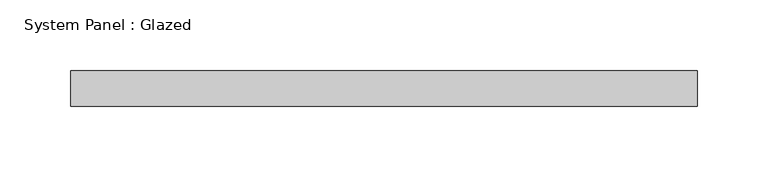
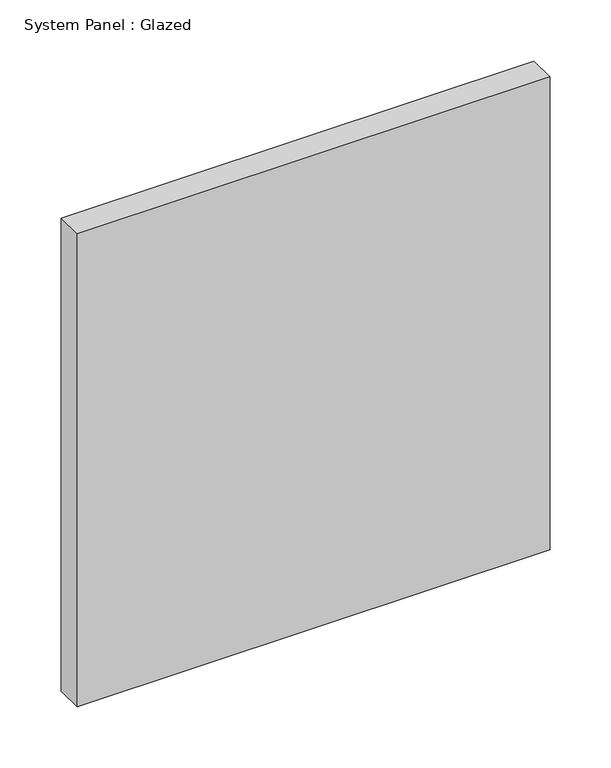
"""IFC4 building model written with IfcOpenShell, lengths in millimetres: plate geometry, System Panel : Glazed."""

from ifc_helpers import new_model, si_unit, origin, origin_with_axes, place, context, project, spatial, polyline, outline, extrude, source, transform, mapped, element, save


def system_panel_glazed_17d290bb(model_context):
    return source(origin(), model_context, "Body", "SweptSolid", [
        extrude(outline(polyline([(222.25, -12.7), (-222.25, -12.7), (-222.25, 12.7), (222.25, 12.7), (222.25, -12.7)])), origin_with_axes(), (0.0, 0.0, 1.0), 469.9),
    ])


if __name__ == "__main__":
    model = new_model("IFC4")
    model_context = context("Model", 3, world=origin())
    ifc_project = project(units=[si_unit("LENGTHUNIT", "METRE", prefix="MILLI")], contexts=[model_context])
    site = spatial("IfcSite", under=ifc_project)
    building = spatial("IfcBuilding", under=site)
    placement = place(None, origin())
    system_panel_glazed_shape = system_panel_glazed_17d290bb(model_context)
    element("IfcPlate", 1, ObjectType="System Panel : Glazed", at=placement, inside=building, context=model_context, shape_type="MappedRepresentation", body=[
        mapped(system_panel_glazed_shape, transform((0.0, 0.0, 0.0), x_axis=(1.0, 0.0, 0.0), y_axis=(0.0, 1.0, 0.0), z_axis=(0.0, 0.0, 1.0))),
    ])
    save(model, "model.ifc")
